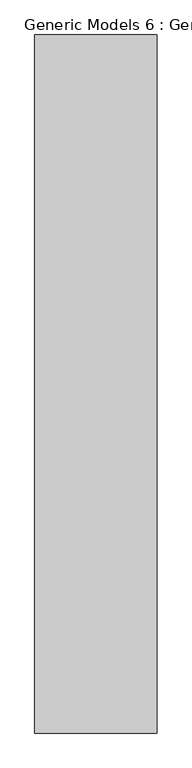
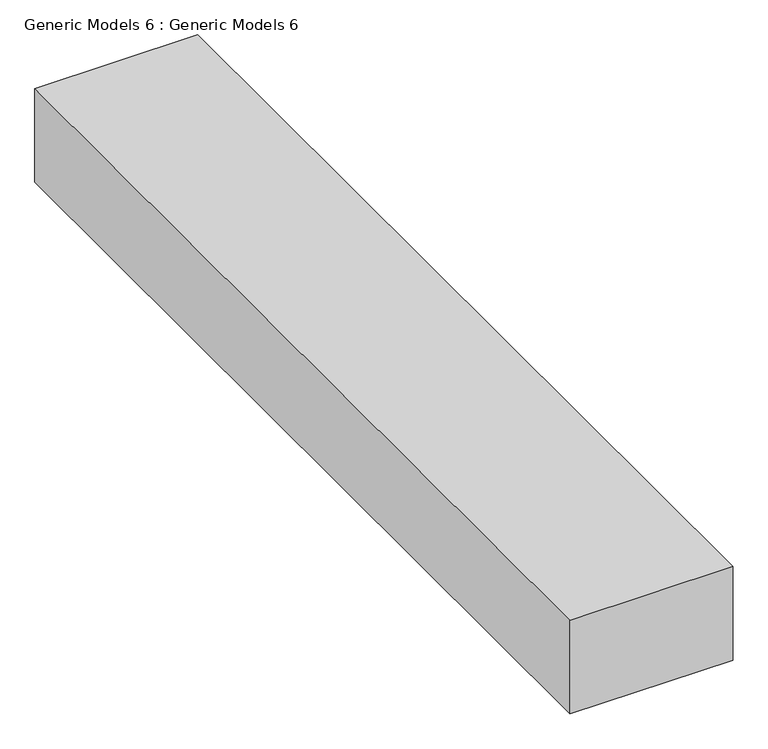
"""IFC4 building model written with IfcOpenShell, lengths in millimetres: proxy geometry, Generic Models 6 : Generic Models 6."""

import ifcopenshell
import ifcopenshell.guid

model = None  # the IFC model being written
_history = None  # IfcOwnerHistory: only IFC2X3 demands one
_inside = {}  # id of a spatial element -> (the spatial element, [elements in it])
_under = {}  # id of a project, library or spatial element -> (it, [spatial elements below it])
_declared = {}  # id of a project -> (the project, [libraries it declares])
_typed = {}  # id of a type object -> (the type object, [elements of that type])
_made_of = {}  # id of a material, layer set ... -> (it, [elements and type objects made of it])


def new_model(schema):
    """Start an empty IFC model of exactly this schema.

    Asked for "IFC4X3", IfcOpenShell would pick the latest addendum, in which some entities
    have other attributes; the version numbers below select the first issue.
    IFC2X3 requires an IfcOwnerHistory on every rooted entity: one is made here for all.
    """
    global model, _history
    if schema == "IFC4X3":
        model = ifcopenshell.file(schema_version=(4, 3, 0, 0))
    else:
        model = ifcopenshell.file(schema=schema)
    _inside.clear()
    _under.clear()
    _declared.clear()
    _typed.clear()
    _made_of.clear()
    _history = None
    if model.schema == "IFC2X3":
        org = make("IfcOrganization", Name="unknown")
        user = make(
            "IfcPersonAndOrganization",
            ThePerson=make("IfcPerson", FamilyName="unknown"),
            TheOrganization=org,
        )
        app = make(
            "IfcApplication",
            ApplicationDeveloper=org,
            Version="unknown",
            ApplicationFullName="unknown",
            ApplicationIdentifier="unknown",
        )
        _history = make(
            "IfcOwnerHistory",
            OwningUser=user,
            OwningApplication=app,
            ChangeAction="ADDED",
            CreationDate=0,
        )
    return model


def make(cls, **values):
    """One entity of the class cls with the attributes given. An attribute that is None is left unset."""
    return model.create_entity(
        cls, **{name: value for name, value in values.items() if value is not None}
    )


def rooted(cls, **values):
    """An entity with a GlobalId (a new one), such as an element, a storey or a relation."""
    return make(cls, GlobalId=ifcopenshell.guid.new(), OwnerHistory=_history, **values)


def si_unit(unit_type, name, prefix=None):
    """IfcSIUnit, for example si_unit("LENGTHUNIT", "METRE", prefix="MILLI")."""
    return make("IfcSIUnit", UnitType=unit_type, Prefix=prefix, Name=name)


def assignment(units):
    """IfcUnitAssignment: the units of a project."""
    return None if units is None else make("IfcUnitAssignment", Units=units)


def point(xyz):
    """IfcCartesianPoint."""
    return None if xyz is None else make("IfcCartesianPoint", Coordinates=xyz)


def direction(xyz):
    """IfcDirection."""
    return None if xyz is None else make("IfcDirection", DirectionRatios=xyz)


def frame(location, z_axis=None, x_axis=None):
    """IfcAxis2Placement3D, a coordinate frame: its origin and axes. An axis left out is left unset."""
    return make(
        "IfcAxis2Placement3D",
        Location=point(location),
        Axis=direction(z_axis),
        RefDirection=direction(x_axis),
    )


def origin():
    """The frame at (0, 0, 0) with its axes left unset."""
    return frame((0.0, 0.0, 0.0))


def place(relative_to, where):
    """IfcLocalPlacement: puts the frame where relative to a parent placement (None: the world)."""
    return make(
        "IfcLocalPlacement", PlacementRelTo=relative_to, RelativePlacement=where
    )


def context(
    kind, dimensions, precision=None, world=None, true_north=None, identifier=None
):
    """IfcGeometricRepresentationContext, for example the 3D "Model" context."""
    return make(
        "IfcGeometricRepresentationContext",
        ContextIdentifier=identifier,
        ContextType=kind,
        CoordinateSpaceDimension=dimensions,
        Precision=precision,
        WorldCoordinateSystem=world,
        TrueNorth=true_north,
    )


def project(units=None, contexts=None):
    """IfcProject with its units and contexts."""
    return rooted(
        "IfcProject",
        Name="project",
        RepresentationContexts=contexts,
        UnitsInContext=assignment(units),
    )


def spatial(cls, under=None, at=None, **own):
    """A site, building, storey or space (cls), placed at a placement, below another one or the project."""
    s = rooted(cls, ObjectPlacement=at, **own)
    if under is not None:
        _under.setdefault(under.id(), (under, []))[1].append(s)
    return s


def polyline(points):
    """IfcPolyline through the points."""
    return make("IfcPolyline", Points=[point(p) for p in points])


def outline(outer, holes=None, kind="AREA"):
    """IfcArbitraryClosedProfileDef: a profile drawn as a closed curve; with holes, ...WithVoids."""
    if holes is None:
        return make("IfcArbitraryClosedProfileDef", ProfileType=kind, OuterCurve=outer)
    return make(
        "IfcArbitraryProfileDefWithVoids",
        ProfileType=kind,
        OuterCurve=outer,
        InnerCurves=holes,
    )


def extrude(swept, where, along, depth):
    """IfcExtrudedAreaSolid: the profile swept, set in the frame where, extruded along a direction by depth."""
    return make(
        "IfcExtrudedAreaSolid",
        SweptArea=swept,
        Position=where,
        ExtrudedDirection=direction(along),
        Depth=depth,
    )


def shape(context_of_items, identifier, shape_type, items):
    """IfcShapeRepresentation: the items that make up one representation, for example the "Body"."""
    return make(
        "IfcShapeRepresentation",
        ContextOfItems=context_of_items,
        RepresentationIdentifier=identifier,
        RepresentationType=shape_type,
        Items=items,
    )


def source(mapping_origin, context_of_items, identifier, shape_type, items):
    """IfcRepresentationMap: a shape defined once, which mapped items show again and again."""
    return make(
        "IfcRepresentationMap",
        MappingOrigin=mapping_origin,
        MappedRepresentation=shape(context_of_items, identifier, shape_type, items),
    )


def transform(
    local_origin,
    x_axis=None,
    y_axis=None,
    z_axis=None,
    scale=None,
    scale2=None,
    scale3=None,
    uniform=True,
):
    """IfcCartesianTransformationOperator3D, or its non-uniform kind. x_axis, y_axis, z_axis: its Axis1, 2, 3."""
    if uniform:
        return make(
            "IfcCartesianTransformationOperator3D",
            Axis1=direction(x_axis),
            Axis2=direction(y_axis),
            LocalOrigin=point(local_origin),
            Scale=scale,
            Axis3=direction(z_axis),
        )
    return make(
        "IfcCartesianTransformationOperator3DnonUniform",
        Axis1=direction(x_axis),
        Axis2=direction(y_axis),
        LocalOrigin=point(local_origin),
        Scale=scale,
        Axis3=direction(z_axis),
        Scale2=scale2,
        Scale3=scale3,
    )


def mapped(mapping_source, mapping_target):
    """IfcMappedItem: shows the shape of a source again, moved by a transform."""
    return make(
        "IfcMappedItem", MappingSource=mapping_source, MappingTarget=mapping_target
    )


def made_of(thing, what):
    """Note that an element or type object is made of a material, layer set ...; save() writes the relation."""
    if what is not None:
        _made_of.setdefault(what.id(), (what, []))[1].append(thing)
    return thing


def element(
    cls,
    number,
    at=None,
    inside=None,
    cuts=None,
    type_object=None,
    material=None,
    context=None,
    identifier="Body",
    shape_type=None,
    held_by="IfcProductDefinitionShape",
    body=None,
    shapes=None,
    **own,
):
    """One element of the class cls, such as IfcWall. Its Tag is "e" and its number.

    at: its placement. inside: the storey or other place that contains it. cuts: it is an
    opening in that element (IfcRelVoidsElement). A single representation is given by context,
    identifier, shape_type and body (its items); several are given by shapes. held_by: the class
    of the entity that holds the representations. save() writes the other relations.
    """
    e = rooted(cls, Tag="e%d" % number, ObjectPlacement=at, **own)
    if body is not None:
        shapes = [shape(context, identifier, shape_type, body)]
    if shapes is not None:
        e.Representation = make(held_by, Representations=shapes)
    if inside is not None:
        _inside.setdefault(inside.id(), (inside, []))[1].append(e)
    if cuts is not None:
        rooted(
            "IfcRelVoidsElement", RelatingBuildingElement=cuts, RelatedOpeningElement=e
        )
    if type_object is not None:
        _typed.setdefault(type_object.id(), (type_object, []))[1].append(e)
    return made_of(e, material)


def aggregate(whole, parts):
    """IfcRelAggregates: a whole, such as a stair, and the parts it consists of."""
    return rooted("IfcRelAggregates", RelatingObject=whole, RelatedObjects=parts)


def save(model, path):
    """Write the relations noted so far, then the file.

    IfcRelAggregates (storeys below a building ...), IfcRelContainedInSpatialStructure (elements
    in a storey), IfcRelDefinesByType, IfcRelAssociatesMaterial and IfcRelDeclares: one each for
    every whole, place, type object, material and project.
    """
    for whole, parts in _under.values():
        aggregate(whole, parts)
    for where, things in _inside.values():
        rooted(
            "IfcRelContainedInSpatialStructure",
            RelatedElements=things,
            RelatingStructure=where,
        )
    for kind, things in _typed.values():
        rooted("IfcRelDefinesByType", RelatedObjects=things, RelatingType=kind)
    for what, things in _made_of.values():
        rooted("IfcRelAssociatesMaterial", RelatedObjects=things, RelatingMaterial=what)
    for by, libraries in _declared.values():
        rooted("IfcRelDeclares", RelatingContext=by, RelatedDefinitions=libraries)
    model.write(path)


def generic_models_6_generic_models_6_5e11335b(model_context):
    return source(origin(), model_context, "Body", "SweptSolid", [
        extrude(outline(polyline([(5255.40801, 6546.8099362), (5255.40801, 5006.8099362), (4985.40801, 5006.8099362), (4985.40801, 6546.8099362), (5255.40801, 6546.8099362)])), frame((0.0, 0.0, 7110.0), z_axis=(0.0, 0.0, 1.0), x_axis=(1.0, 0.0, 0.0)), (0.0, 0.0, 1.0), 164.1982662),
    ])


if __name__ == "__main__":
    model = new_model("IFC4")
    model_context = context("Model", 3, world=origin())
    ifc_project = project(units=[si_unit("LENGTHUNIT", "METRE", prefix="MILLI")], contexts=[model_context])
    site = spatial("IfcSite", under=ifc_project)
    building = spatial("IfcBuilding", under=site)
    placement = place(None, origin())
    generic_models_6_generic_models_6_shape = generic_models_6_generic_models_6_5e11335b(model_context)
    element("IfcBuildingElementProxy", 1, Name="Generic Models 6 : Generic Models 6", ObjectType="Generic Models 6 : Generic Models 6", at=placement, inside=building, context=model_context, shape_type="MappedRepresentation", body=[
        mapped(generic_models_6_generic_models_6_shape, transform((0.0, 0.0, 0.0), x_axis=(1.0, 0.0, 0.0), y_axis=(0.0, 1.0, 0.0), z_axis=(0.0, 0.0, 1.0))),
    ])
    save(model, "model.ifc")
